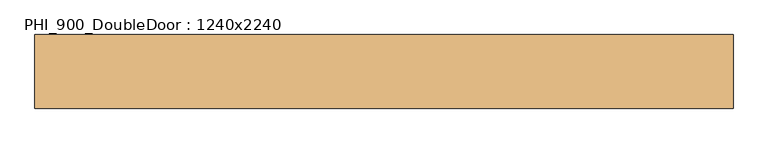
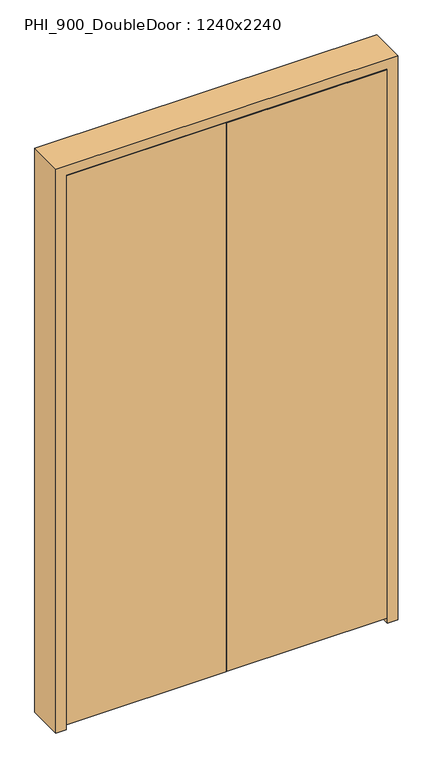
"""IFC4 building model written with IfcOpenShell, lengths in millimetres: door geometry, PHI_900_DoubleDoor : 1240x2240."""

from ifc_helpers import new_model, si_unit, frame, origin, place, context, project, spatial, polyline, outline, extrude, source, transform, mapped, element, save


def phi_900_doubledoor_1240x2240_e45cebfb(model_context):
    return source(origin(), model_context, "Body", "SweptSolid", [
        extrude(outline(polyline([(2.0, -70.0), (2.0, -20.0), (618.0, -20.0), (618.0, -70.0), (2.0, -70.0)])), frame((0.0, 0.0, 20.0), z_axis=(0.0, 0.0, 1.0), x_axis=(1.0, 0.0, 0.0)), (0.0, 0.0, 1.0), 2238.0),
        extrude(outline(polyline([(-2.0, -70.0), (-618.0, -70.0), (-618.0, -20.0), (-2.0, -20.0), (-2.0, -70.0)])), frame((0.0, 0.0, 20.0), z_axis=(0.0, 0.0, 1.0), x_axis=(1.0, 0.0, 0.0)), (0.0, 0.0, 1.0), 2238.0),
        extrude(outline(polyline([(2300.0, -660.0), (0.0, -660.0), (0.0, -620.0), (2260.0, -620.0), (2260.0, 620.0), (0.0, 620.0), (0.0, 660.0), (2300.0, 660.0), (2300.0, -660.0)])), frame((0.0, -70.0, 0.0), z_axis=(0.0, 1.0, 0.0), x_axis=(0.0, 0.0, 1.0)), (0.0, 0.0, 1.0), 140.0),
        extrude(outline(polyline([(2260.0, -620.0), (0.0, -620.0), (0.0, -600.0), (2240.0, -600.0), (2240.0, 600.0), (0.0, 600.0), (0.0, 620.0), (2260.0, 620.0), (2260.0, -620.0)])), frame((0.0, -20.0, 0.0), z_axis=(0.0, 1.0, 0.0), x_axis=(0.0, 0.0, 1.0)), (0.0, 0.0, 1.0), 20.0),
    ])


if __name__ == "__main__":
    model = new_model("IFC4")
    model_context = context("Model", 3, world=origin())
    ifc_project = project(units=[si_unit("LENGTHUNIT", "METRE", prefix="MILLI")], contexts=[model_context])
    site = spatial("IfcSite", under=ifc_project)
    building = spatial("IfcBuilding", under=site)
    placement = place(None, origin())
    phi_900_doubledoor_1240x2240_shape = phi_900_doubledoor_1240x2240_e45cebfb(model_context)
    element("IfcDoor", 1, ObjectType="PHI_900_DoubleDoor : 1240x2240", at=placement, inside=building, context=model_context, shape_type="MappedRepresentation", body=[
        mapped(phi_900_doubledoor_1240x2240_shape, transform((0.0, 0.0, 0.0), x_axis=(1.0, 0.0, 0.0), y_axis=(0.0, 1.0, 0.0), z_axis=(0.0, 0.0, 1.0))),
    ])
    save(model, "model.ifc")
